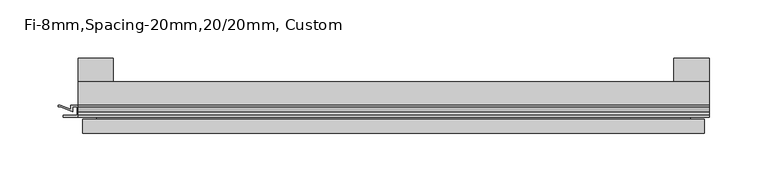
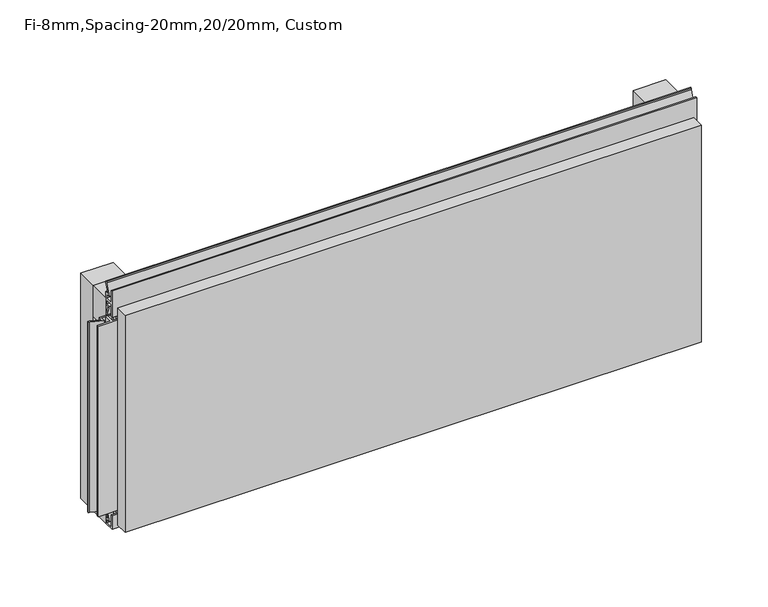
"""IFC4 building model written with IfcOpenShell, lengths in millimetres: plate geometry, Fi-8mm,Spacing-20mm,20/20mm, Custom."""

from ifc_helpers import new_model, si_unit, frame, origin, origin_with_axes, place, context, project, spatial, polyline, outline, extrude, faceted_brep, source, transform, mapped, element, save


def fi_8mm_spacing_20mm_20_20mm_custom_aa682009(model_context):
    return source(origin(), model_context, "Body", "SolidModel", [
        extrude(outline(polyline([(-270.0, -40.0), (-270.0, -20.0), (270.0, -20.0), (270.0, -40.0), (-270.0, -40.0)])), frame((0.0, 0.0, 190.0), z_axis=(0.0, 0.0, 1.0), x_axis=(1.0, 0.0, 0.0)), (0.0, 0.0, 1.0), 30.0),
        extrude(outline(polyline([(-270.0, -40.0), (-270.0, -20.0), (270.0, -20.0), (270.0, -40.0), (-270.0, -40.0)])), origin_with_axes(), (0.0, 0.0, 1.0), 30.0),
        extrude(outline(polyline([(240.0, 0.0), (270.0, 0.0), (270.0, -20.0), (240.0, -20.0), (240.0, 0.0)])), origin_with_axes(), (0.0, 0.0, 1.0), 220.0),
        extrude(outline(polyline([(-240.0, 0.0), (-240.0, -20.0), (-270.0, -20.0), (-270.0, 0.0), (-240.0, 0.0)])), origin_with_axes(), (0.0, 0.0, 1.0), 220.0),
        extrude(outline(polyline([(-40.0, 6.299084), (-40.0, 0.0), (-50.1, 0.0), (-50.1, 13.4156807), (-48.7, 13.4156807), (-48.7, 1.4156807), (-41.4, 1.4156807), (-41.4, 4.899084), (-45.5140545, 4.899084), (-41.4553267, 15.5703394), (-41.4553267, 22.991548), (-40.0553267, 22.991548), (-40.0553267, 15.3558599), (-43.5, 6.299084), (-40.0, 6.299084)])), frame((-270.0, 0.0, 0.0), z_axis=(1.0, 0.0, 0.0), x_axis=(0.0, 1.0, 0.0)), (0.0, 0.0, 1.0), 540.0),
        extrude(outline(polyline([(263.700916, -40.0), (270.0, -40.0), (270.0, -50.1), (256.5843193, -50.1), (256.5843193, -48.7), (268.5843193, -48.7), (268.5843193, -41.4), (265.100916, -41.4), (265.100916, -45.5140545), (254.4296606, -41.4553267), (247.008452, -41.4553267), (247.008452, -40.0553267), (254.6441401, -40.0553267), (263.700916, -43.5), (263.700916, -40.0)])), frame((0.0, 0.0, 16.9558599), z_axis=(0.0, 0.0, 1.0), x_axis=(1.0, 0.0, 0.0)), (0.0, 0.0, 1.0), 186.0882802),
        extrude(outline(polyline([(-270.899084, -48.7), (-270.899084, -41.4), (-274.899084, -41.4), (-274.899084, -45.5140545), (-285.5703394, -41.4553267), (-286.9558599, -41.4553267), (-286.9558599, -40.0553267), (-285.3558599, -40.0553267), (-276.299084, -43.5), (-276.299084, -40.0), (-263.700916, -40.0), (-263.700916, -43.5), (-254.6441401, -40.0553267), (-253.0441401, -40.0553267), (-253.0441401, -41.4553267), (-254.4296606, -41.4553267), (-265.100916, -45.5140545), (-265.100916, -41.4), (-269.100916, -41.4), (-269.100916, -48.7), (-257.100916, -48.7), (-257.100916, -50.1), (-282.899084, -50.1), (-282.899084, -48.7), (-270.899084, -48.7)])), frame((0.0, 0.0, 16.9558599), z_axis=(0.0, 0.0, 1.0), x_axis=(1.0, 0.0, 0.0)), (0.0, 0.0, 1.0), 186.0882802),
        extrude(outline(polyline([(-48.7, 220.899084), (-41.4, 220.899084), (-41.4, 224.899084), (-45.5140545, 224.899084), (-41.4553267, 235.5703394), (-41.4553267, 236.9558599), (-40.0553267, 236.9558599), (-40.0553267, 235.3558599), (-43.5, 226.299084), (-40.0, 226.299084), (-40.0, 213.700916), (-43.5, 213.700916), (-40.0553267, 204.6441401), (-40.0553267, 203.0441401), (-41.4553267, 203.0441401), (-41.4553267, 204.4296606), (-45.5140545, 215.100916), (-41.4, 215.100916), (-41.4, 219.100916), (-48.7, 219.100916), (-48.7, 207.100916), (-50.1, 207.100916), (-50.1, 232.899084), (-48.7, 232.899084), (-48.7, 220.899084)])), frame((-270.0, 0.0, 0.0), z_axis=(1.0, 0.0, 0.0), x_axis=(0.0, 1.0, 0.0)), (0.0, 0.0, 1.0), 540.0),
        faceted_brep([(266.0, -45.9, 216.0), (-266.0, -45.9, 216.0), (-266.0, -48.7, 216.0), (266.0, -48.7, 216.0), (-266.0, -63.9, 216.0), (266.0, -63.9, 216.0), (266.0, -51.9, 216.0), (-266.0, -51.9, 216.0), (-266.0, -45.9, 4.0), (266.0, -45.9, 4.0), (266.0, -48.7, 4.0), (-266.0, -48.7, 4.0), (266.0, -63.9, 4.0), (-266.0, -63.9, 4.0), (-266.0, -51.9, 4.0), (266.0, -51.9, 4.0), (254.0, -51.9, 204.0), (254.0, -51.9, 16.0), (254.0, -48.7, 16.0), (254.0, -48.7, 204.0), (-254.0, -51.9, 16.0), (-254.0, -48.7, 16.0), (-254.0, -51.9, 204.0), (-254.0, -48.7, 204.0)], [[[0, 1, 2, 3]], [[4, 5, 6, 7]], [[8, 9, 10, 11]], [[12, 13, 14, 15]], [[1, 0, 9, 8]], [[1, 8, 11, 2]], [[13, 4, 7, 14]], [[5, 4, 13, 12]], [[9, 0, 3, 10]], [[5, 12, 15, 6]], [[16, 17, 18, 19]], [[18, 17, 20, 21]], [[21, 20, 22, 23]], [[16, 19, 23, 22]], [[7, 6, 15, 14], [17, 16, 22, 20]], [[3, 2, 11, 10], [19, 18, 21, 23]]]),
    ])


if __name__ == "__main__":
    model = new_model("IFC4")
    model_context = context("Model", 3, world=origin())
    ifc_project = project(units=[si_unit("LENGTHUNIT", "METRE", prefix="MILLI")], contexts=[model_context])
    site = spatial("IfcSite", under=ifc_project)
    building = spatial("IfcBuilding", under=site)
    placement = place(None, origin())
    fi_8mm_spacing_20mm_20_20mm_custom_shape = fi_8mm_spacing_20mm_20_20mm_custom_aa682009(model_context)
    element("IfcPlate", 1, ObjectType="Fi-8mm,Spacing-20mm,20/20mm, Custom", at=placement, inside=building, context=model_context, shape_type="MappedRepresentation", body=[
        mapped(fi_8mm_spacing_20mm_20_20mm_custom_shape, transform((0.0, 0.0, 0.0), x_axis=(1.0, 0.0, 0.0), y_axis=(0.0, 1.0, 0.0), z_axis=(0.0, 0.0, 1.0))),
    ])
    save(model, "model.ifc")
